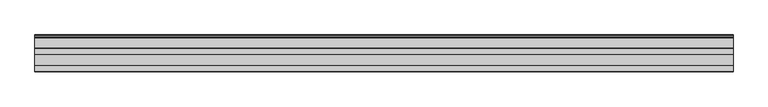
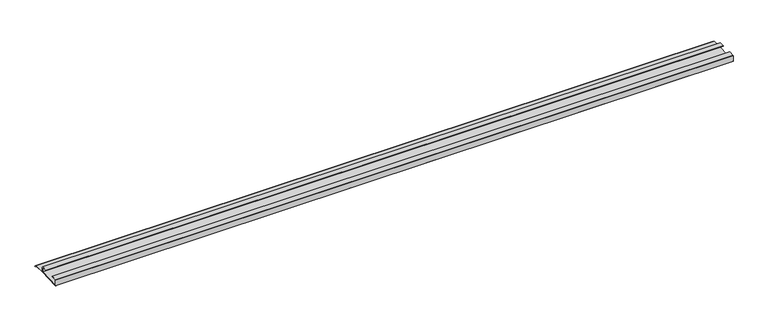
"""IFC4 building model written with IfcOpenShell, lengths in millimetres: furniture geometry."""

from ifc_helpers import new_model, si_unit, frame, origin, place, context, project, spatial, polyline, outline, extrude, source, transform, mapped, element, save


def furniture_92da22e7(model_context):
    return source(origin(), model_context, "Body", "SweptSolid", [
        extrude(outline(polyline([(-16.1532518, 511.9901998), (-16.9376349, 511.5718742), (-18.5259585, 513.2424489), (-20.7474799, 513.857782), (-21.763438, 515.8897074), (-45.0034802, 515.8897074), (-92.6265287, 513.857782), (-93.3884975, 514.6197508), (-93.3884975, 527.05), (-92.5947475, 527.84375), (-80.6890189, 527.84375), (-80.6890189, 527.05), (-92.6265287, 527.05), (-92.6265287, 514.6197631), (-45.0034802, 516.6834574), (-45.0034802, 527.05), (-56.9409919, 527.05), (-56.9409919, 527.84375), (-45.0352673, 527.84375), (-44.2415173, 527.05), (-44.2415173, 516.6834574), (-21.763438, 516.6834574), (-20.7474799, 514.8737447), (-18.0685872, 514.0047207), (-16.1532518, 511.9901998)])), frame((-715.1345592, 0.0, 0.0), z_axis=(1.0, 0.0, 0.0), x_axis=(0.0, 1.0, 0.0)), (0.0, 0.0, 1.0), 1469.2122),
    ])


if __name__ == "__main__":
    model = new_model("IFC4")
    model_context = context("Model", 3, world=origin())
    ifc_project = project(units=[si_unit("LENGTHUNIT", "METRE", prefix="MILLI")], contexts=[model_context])
    site = spatial("IfcSite", under=ifc_project)
    building = spatial("IfcBuilding", under=site)
    placement = place(None, origin())
    furniture_shape = furniture_92da22e7(model_context)
    element("IfcFurniture", 1, at=placement, inside=building, context=model_context, shape_type="MappedRepresentation", body=[
        mapped(furniture_shape, transform((0.0, 0.0, 0.0), x_axis=(1.0, 0.0, 0.0), y_axis=(0.0, 1.0, 0.0), z_axis=(0.0, 0.0, 1.0))),
    ])
    save(model, "model.ifc")
